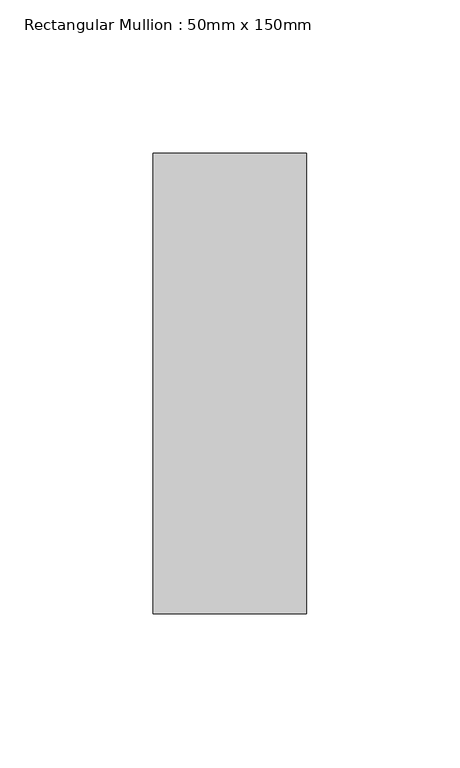
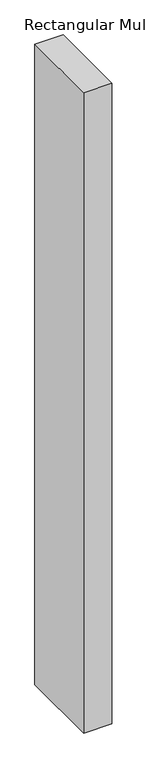
"""IFC4 building model written with IfcOpenShell, lengths in millimetres: member geometry, Rectangular Mullion : 50mm x 150mm."""

from ifc_helpers import new_model, si_unit, frame, origin, place, context, project, spatial, polyline, outline, extrude, source, transform, mapped, element, save


def rectangular_mullion_50mm_x_150mm_6588f46c(model_context):
    return source(origin(), model_context, "Body", "SweptSolid", [
        extrude(outline(polyline([(0.0, 75.0), (0.0, -75.0), (-50.0, -75.0), (-50.0, 75.0), (0.0, 75.0)])), frame((0.0, 0.0, -1200.0), z_axis=(0.0, 0.0, 1.0), x_axis=(1.0, 0.0, 0.0)), (0.0, 0.0, 1.0), 1200.0),
    ])


if __name__ == "__main__":
    model = new_model("IFC4")
    model_context = context("Model", 3, world=origin())
    ifc_project = project(units=[si_unit("LENGTHUNIT", "METRE", prefix="MILLI")], contexts=[model_context])
    site = spatial("IfcSite", under=ifc_project)
    building = spatial("IfcBuilding", under=site)
    placement = place(None, origin())
    rectangular_mullion_50mm_x_150mm_shape = rectangular_mullion_50mm_x_150mm_6588f46c(model_context)
    element("IfcMember", 1, ObjectType="Rectangular Mullion : 50mm x 150mm", at=placement, inside=building, context=model_context, shape_type="MappedRepresentation", body=[
        mapped(rectangular_mullion_50mm_x_150mm_shape, transform((0.0, 0.0, 0.0), x_axis=(1.0, 0.0, 0.0), y_axis=(0.0, 1.0, 0.0), z_axis=(0.0, 0.0, 1.0))),
    ])
    save(model, "model.ifc")
